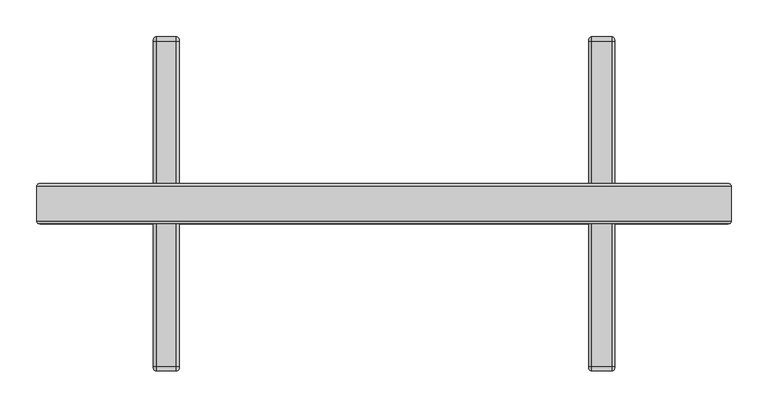
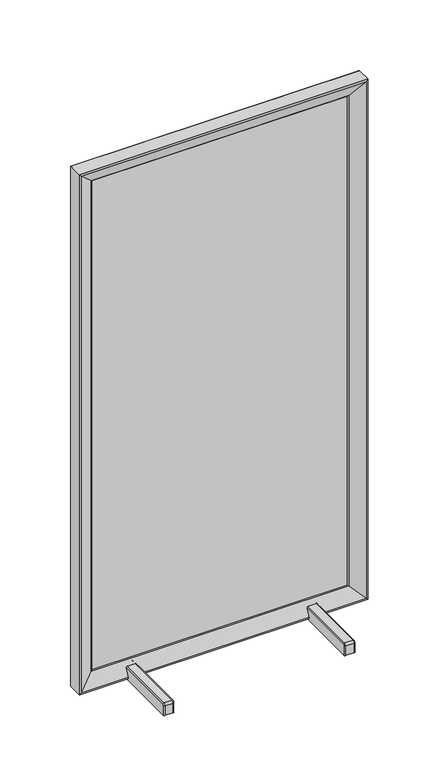
"""IFC4 building model written with IfcOpenShell, lengths in millimetres: furniture geometry."""

from ifc_helpers import new_model, si_unit, point, frame, frame_2d, origin, origin_with_axes, place, context, project, spatial, polyline, circle_curve, ellipse_curve, trimmed, segment, composite_curve, outline, extrude, source, transform, mapped, element, save
from ifc_brep_helpers import plane_surface, cylinder_surface, revolved_surface, advanced_brep


def furniture_38ea0e20(model_context):
    return source(origin(), model_context, "Body", "SolidModel", [
        extrude(outline(polyline([(423.2009837, -1.0534604), (-423.2093187, -1.0534604), (-423.2093187, 1.0534604), (423.2009837, 1.0534604), (423.2009837, -1.0534604)])), frame((0.0, 0.0, 60.9611301), z_axis=(0.0, 0.0, 1.0), x_axis=(1.0, 0.0, 0.0)), (0.0, 0.0, 1.0), 1703.6858385),
        extrude(outline(composite_curve([segment(trimmed(circle_curve(frame_2d((-297.4993889, 210.9995391)), 9.9999701), [point((-307.4993589, 210.9995391))], [point((-287.4994188, 210.9995391))], False, "CARTESIAN"), True, "CONTINUOUS"), segment(trimmed(circle_curve(frame_2d((-297.4993889, 210.9995391)), 9.9999701), [point((-287.4994188, 210.9995391))], [point((-307.4993589, 210.9995391))], False, "CARTESIAN"), True, "CONTINUOUS")], self_intersect=False)), origin_with_axes(), (0.0, 0.0, 1.0), 3.9996105),
        extrude(outline(composite_curve([segment(trimmed(circle_curve(frame_2d((297.4993889, 210.9995391)), 9.9999701), [point((287.4994188, 210.9995391))], [point((307.4993589, 210.9995391))], False, "CARTESIAN"), True, "CONTINUOUS"), segment(trimmed(circle_curve(frame_2d((297.4993889, 210.9995391)), 9.9999701), [point((307.4993589, 210.9995391))], [point((287.4994188, 210.9995391))], False, "CARTESIAN"), True, "CONTINUOUS")], self_intersect=False)), origin_with_axes(), (0.0, 0.0, 1.0), 3.9996105),
        extrude(outline(composite_curve([segment(trimmed(circle_curve(frame_2d((-297.4993889, -210.9995391)), 9.9999701), [point((-307.4993589, -210.9995391))], [point((-287.4994188, -210.9995391))], False, "CARTESIAN"), True, "CONTINUOUS"), segment(trimmed(circle_curve(frame_2d((-297.4993889, -210.9995391)), 9.9999701), [point((-287.4994188, -210.9995391))], [point((-307.4993589, -210.9995391))], False, "CARTESIAN"), True, "CONTINUOUS")], self_intersect=False)), origin_with_axes(), (0.0, 0.0, 1.0), 3.9996105),
        extrude(outline(composite_curve([segment(trimmed(circle_curve(frame_2d((297.4993889, -210.9995391)), 9.9999701), [point((287.4994188, -210.9995391))], [point((307.4993589, -210.9995391))], False, "CARTESIAN"), True, "CONTINUOUS"), segment(trimmed(circle_curve(frame_2d((297.4993889, -210.9995391)), 9.9999701), [point((307.4993589, -210.9995391))], [point((287.4994188, -210.9995391))], False, "CARTESIAN"), True, "CONTINUOUS")], self_intersect=False)), origin_with_axes(), (0.0, 0.0, 1.0), 3.9996105),
        advanced_brep(
        [(474.6625, 23.4288654, 1816.1), (474.6625, -23.4702702, 1816.1), (474.6625, -23.4702702, 9.4996138), (474.6625, 23.4288654, 9.4996138), (468.8881756, 27.0047563, 15.2739382), (468.8881756, 27.0047563, 1810.3256756), (423.2009837, 4.2635237, 60.9611301), (423.2009837, 4.2635237, 1764.6384837), (423.2009837, -4.2635237, 60.9611301), (423.2009837, -4.2635237, 1764.6384837), (468.9252423, -27.0232066, 15.2368715), (468.9252423, -27.0232066, 1810.3627423), (314.9993654, -23.4702702, 9.4996138), (314.9993654, 23.4288654, 9.4996138), (-474.6625, -23.4702702, 9.4996138), (-474.6625, 23.4288654, 9.4996138), (-314.9993654, 23.4288654, 9.4996138), (-314.9993654, -23.4702702, 9.4996138), (279.9994123, -23.4702702, 9.4996138), (-279.9994123, -23.4702702, 9.4996138), (-279.9994123, 23.4288654, 9.4996138), (279.9994123, 23.4288654, 9.4996138), (314.9993654, 27.0047563, 15.2739382), (-279.9994123, 27.0047563, 15.2739382), (279.9994123, 27.0047563, 15.2739382), (-468.8881756, 27.0047563, 15.2739382), (-314.9993654, 27.0047563, 15.2739382), (314.9993654, 14.681801, 40.0307854), (311.0306154, 12.7063181, 43.9995354), (283.9681623, 12.7063181, 43.9995354), (279.9994123, 14.681801, 40.0307854), (-279.9994123, 14.681801, 40.0307854), (-283.9681623, 12.7063181, 43.9995354), (-311.0306154, 12.7063181, 43.9995354), (-314.9993654, 14.681801, 40.0307854), (-423.2009837, 4.2635237, 60.9611301), (-423.2009837, -4.2635237, 60.9611301), (-468.9252423, -27.0232066, 15.2368715), (-314.9993654, -27.0232066, 15.2368715), (-314.9993654, -14.681801, 40.0307854), (-311.0306154, -12.7063181, 43.9995354), (-283.9681623, -12.7063181, 43.9995354), (-279.9994123, -14.681801, 40.0307854), (-279.9994123, -27.0232066, 15.2368715), (279.9994123, -27.0232066, 15.2368715), (279.9994123, -14.681801, 40.0307854), (283.9681623, -12.7063181, 43.9995354), (311.0306154, -12.7063181, 43.9995354), (314.9993654, -14.681801, 40.0307854), (314.9993654, -27.0232066, 15.2368715), (-474.6625, -23.4702702, 1816.1), (-474.6625, 23.4288654, 1816.1), (-468.8881756, 27.0047563, 1810.3256756), (-423.2009837, 4.2635237, 1764.6384837), (-423.2009837, -4.2635237, 1764.6384837), (-468.9252423, -27.0232066, 1810.3627423)],
        [
            (0, 1),
            (1, 2),
            (2, 3),
            (3, 0),
            (3, 4, ellipse_curve(frame((470.6681091, 23.4288654, 13.4940047), z_axis=(0.7071067811865487, 0.0, 0.7071067811865462), x_axis=(-0.7071067811865462, 0.0, 0.7071067811865489)), 5.6489218, 3.9943909)),
            (4, 5),
            (5, 0, ellipse_curve(frame((470.6681091, 23.4288654, 1812.1056091), z_axis=(0.7071067811865474, 0.0, -0.7071067811865476), x_axis=(0.7071067811865475, 0.0, 0.7071067811865476)), 5.6489218, 3.9943909)),
            (4, 6),
            (6, 7),
            (7, 5),
            (6, 8, ellipse_curve(frame((425.323193, 0.0, 58.8389208), z_axis=(0.7071067811865487, 0.0, 0.7071067811865462), x_axis=(-0.7071067811865462, 0.0, 0.7071067811865489)), 6.7351921, 4.7625)),
            (8, 9),
            (9, 7, ellipse_curve(frame((425.323193, 0.0, 1766.760693), z_axis=(0.7071067811865474, 0.0, -0.7071067811865476), x_axis=(0.7071067811865475, 0.0, 0.7071067811865476)), 6.7351921, 4.7625)),
            (8, 10),
            (10, 11),
            (11, 9),
            (1, 11, ellipse_curve(frame((470.69375, -23.4702702, 1812.13125), z_axis=(0.7071067811865474, 0.0, -0.7071067811865476), x_axis=(0.7071067811865475, 0.0, 0.7071067811865476)), 5.6126601, 3.96875)),
            (10, 2, ellipse_curve(frame((470.69375, -23.4702702, 13.4683638), z_axis=(0.7071067811865487, 0.0, 0.7071067811865462), x_axis=(-0.7071067811865462, 0.0, 0.7071067811865489)), 5.6126601, 3.96875)),
            (2, 12),
            (12, 13),
            (13, 3),
            (14, 15),
            (15, 16),
            (16, 17),
            (17, 14),
            (18, 19),
            (19, 20),
            (20, 21),
            (21, 18),
            (13, 22, circle_curve(frame((314.9993654, 23.4288654, 13.4940047), z_axis=(1.0, 0.0, 0.0), x_axis=(0.0, 0.0, -1.0)), 3.9943909)),
            (22, 4),
            (20, 23, circle_curve(frame((-279.9994123, 23.4288654, 13.4940047), z_axis=(1.0, 0.0, 0.0), x_axis=(0.0, 0.0, -1.0)), 3.9943909)),
            (23, 24),
            (24, 21, circle_curve(frame((279.9994123, 23.4288654, 13.4940047), z_axis=(-1.0, 0.0, 0.0), x_axis=(0.0, 0.0, -1.0)), 3.9943909)),
            (15, 25, ellipse_curve(frame((-470.6681091, 23.4288654, 13.4940047), z_axis=(0.7071067811865462, 0.0, -0.7071067811865488), x_axis=(0.7071067811865488, 0.0, 0.7071067811865461)), 5.6489218, 3.9943909)),
            (25, 26),
            (26, 16, circle_curve(frame((-314.9993654, 23.4288654, 13.4940047), z_axis=(-1.0, 0.0, 0.0), x_axis=(0.0, 0.0, -1.0)), 3.9943909)),
            (22, 27),
            (27, 28, ellipse_curve(frame((311.0306154, 14.681801, 40.0307854), z_axis=(0.0, -0.8952280643452791, -0.44560825038210955), x_axis=(0.0, -0.4456082503821093, 0.8952280643452792)), 4.4332279, 3.96875)),
            (28, 29),
            (29, 30, ellipse_curve(frame((283.9681623, 14.681801, 40.0307854), z_axis=(0.0, -0.8952280643452791, -0.44560825038210955), x_axis=(0.0, -0.4456082503821093, 0.8952280643452792)), 4.4332279, 3.96875)),
            (30, 24),
            (23, 31),
            (31, 32, ellipse_curve(frame((-283.9681623, 14.681801, 40.0307854), z_axis=(0.0, -0.8952280643452791, -0.44560825038210955), x_axis=(0.0, -0.4456082503821093, 0.8952280643452792)), 4.4332279, 3.96875)),
            (32, 33),
            (33, 34, ellipse_curve(frame((-311.0306154, 14.681801, 40.0307854), z_axis=(0.0, -0.8952280643452791, -0.44560825038210955), x_axis=(0.0, -0.4456082503821093, 0.8952280643452792)), 4.4332279, 3.96875)),
            (34, 26),
            (25, 35),
            (35, 6),
            (35, 36, ellipse_curve(frame((-425.323193, 0.0, 58.8389208), z_axis=(0.7071067811865462, 0.0, -0.7071067811865488), x_axis=(0.7071067811865488, 0.0, 0.7071067811865461)), 6.7351921, 4.7625)),
            (36, 8),
            (36, 37),
            (37, 38),
            (38, 39),
            (39, 40, ellipse_curve(frame((-311.0306154, -14.681801, 40.0307854), z_axis=(0.0, 0.8952280643452791, -0.4456082503821096), x_axis=(0.0, -0.4456082503821093, -0.8952280643452791)), 4.4332279, 3.96875)),
            (40, 41),
            (41, 42, ellipse_curve(frame((-283.9681623, -14.681801, 40.0307854), z_axis=(0.0, 0.8952280643452791, -0.4456082503821096), x_axis=(0.0, -0.4456082503821093, -0.8952280643452791)), 4.4332279, 3.96875)),
            (42, 43),
            (43, 44),
            (44, 45),
            (45, 46, ellipse_curve(frame((283.9681623, -14.681801, 40.0307854), z_axis=(0.0, 0.8952280643452791, -0.4456082503821096), x_axis=(0.0, -0.4456082503821093, -0.8952280643452791)), 4.4332279, 3.96875)),
            (46, 47),
            (47, 48, ellipse_curve(frame((311.0306154, -14.681801, 40.0307854), z_axis=(0.0, 0.8952280643452791, -0.4456082503821096), x_axis=(0.0, -0.4456082503821093, -0.8952280643452791)), 4.4332279, 3.96875)),
            (48, 49),
            (49, 10),
            (49, 12, circle_curve(frame((314.9993654, -23.4702702, 13.4683638), z_axis=(1.0, 0.0, 0.0), x_axis=(0.0, 0.0, -1.0)), 3.96875)),
            (18, 44, circle_curve(frame((279.9994123, -23.4702702, 13.4683638), z_axis=(-1.0, 0.0, 0.0), x_axis=(0.0, 0.0, -1.0)), 3.96875)),
            (43, 19, circle_curve(frame((-279.9994123, -23.4702702, 13.4683638), z_axis=(1.0, 0.0, 0.0), x_axis=(0.0, 0.0, -1.0)), 3.96875)),
            (37, 14, ellipse_curve(frame((-470.69375, -23.4702702, 13.4683638), z_axis=(0.7071067811865462, 0.0, -0.7071067811865488), x_axis=(0.7071067811865488, 0.0, 0.7071067811865461)), 5.6126601, 3.96875)),
            (17, 38, circle_curve(frame((-314.9993654, -23.4702702, 13.4683638), z_axis=(-1.0, 0.0, 0.0), x_axis=(0.0, 0.0, -1.0)), 3.96875)),
            (14, 50),
            (50, 51),
            (51, 15),
            (51, 52, ellipse_curve(frame((-470.6681091, 23.4288654, 1812.1056091), z_axis=(-0.7071067811865477, 0.0, -0.7071067811865474), x_axis=(0.7071067811865474, 0.0, -0.7071067811865477)), 5.6489218, 3.9943909)),
            (52, 25),
            (52, 53),
            (53, 35),
            (53, 54, ellipse_curve(frame((-425.323193, 0.0, 1766.760693), z_axis=(-0.7071067811865477, 0.0, -0.7071067811865474), x_axis=(0.7071067811865474, 0.0, -0.7071067811865477)), 6.7351921, 4.7625)),
            (54, 36),
            (54, 55),
            (55, 37),
            (55, 50, ellipse_curve(frame((-470.69375, -23.4702702, 1812.13125), z_axis=(-0.7071067811865477, 0.0, -0.7071067811865474), x_axis=(0.7071067811865474, 0.0, -0.7071067811865477)), 5.6126601, 3.96875)),
            (0, 51),
            (50, 1),
            (5, 52),
            (7, 53),
            (9, 54),
            (11, 55),
            (34, 39),
            (42, 31),
            (41, 32),
            (40, 33),
            (27, 48),
            (47, 28),
            (46, 29),
            (45, 30),
        ],
        [
            plane_surface(frame((474.6625, -23.4702702, 1816.1), z_axis=(1.0, 0.0, 0.0), x_axis=(0.0, 0.0, -1.0))),
            cylinder_surface(frame((470.6681091, 23.4288654, 1816.1), z_axis=(0.0, 0.0, 1.0), x_axis=(1.0, 0.0, 0.0)), 3.9943909),
            plane_surface(frame((468.8881756, 27.0047563, 1810.3256756), z_axis=(-0.4456082503821096, 0.8952280643452791, 0.0), x_axis=(0.0, 0.0, -1.0))),
            cylinder_surface(frame((425.323193, 0.0, 1816.1), z_axis=(0.0, 0.0, 1.0), x_axis=(1.0, 0.0, 0.0)), 4.7625),
            plane_surface(frame((423.2009837, -4.2635237, 1764.6384837), z_axis=(-0.44560825038210955, -0.8952280643452791, 0.0), x_axis=(0.0, 0.0, -1.0))),
            cylinder_surface(frame((470.69375, -23.4702702, 1816.1), z_axis=(0.0, 0.0, 1.0), x_axis=(1.0, 0.0, 0.0)), 3.96875),
            plane_surface(frame((474.6625, -23.4702702, 9.4996138), z_axis=(0.0, 0.0, -1.0), x_axis=(-1.0, 0.0, 0.0))),
            cylinder_surface(frame((474.6625, 23.4288654, 13.4940047), z_axis=(1.0, 0.0, 0.0), x_axis=(0.0, 0.0, -1.0)), 3.9943909),
            plane_surface(frame((468.8881756, 27.0047563, 15.2739382), z_axis=(0.0, 0.8952280643452791, 0.44560825038210955), x_axis=(-1.0, 0.0, 0.0))),
            cylinder_surface(frame((474.6625, 0.0, 58.8389208), z_axis=(1.0, 0.0, 0.0), x_axis=(0.0, 0.0, -1.0)), 4.7625),
            plane_surface(frame((423.2009837, -4.2635237, 60.9611301), z_axis=(0.0, -0.8952280643452791, 0.4456082503821096), x_axis=(-1.0, 0.0, 0.0))),
            cylinder_surface(frame((474.6625, -23.4702702, 13.4683638), z_axis=(1.0, 0.0, 0.0), x_axis=(0.0, 0.0, -1.0)), 3.96875),
            plane_surface(frame((-474.6625, -23.4702702, 9.4996138), z_axis=(-1.0, 0.0, 0.0), x_axis=(0.0, 0.0, 1.0))),
            cylinder_surface(frame((-470.6681091, 23.4288654, 9.4996138), z_axis=(0.0, 0.0, -1.0), x_axis=(-1.0, 0.0, 0.0)), 3.9943909),
            plane_surface(frame((-468.8881756, 27.0047563, 15.2739382), z_axis=(0.4456082503821096, 0.8952280643452791, 0.0), x_axis=(0.0, 0.0, 1.0))),
            cylinder_surface(frame((-425.323193, 0.0, 9.4996138), z_axis=(0.0, 0.0, -1.0), x_axis=(-1.0, 0.0, 0.0)), 4.7625),
            plane_surface(frame((-423.2009837, -4.2635237, 60.9611301), z_axis=(0.44560825038210955, -0.8952280643452791, 0.0), x_axis=(0.0, 0.0, 1.0))),
            cylinder_surface(frame((-470.69375, -23.4702702, 9.4996138), z_axis=(0.0, 0.0, -1.0), x_axis=(-1.0, 0.0, 0.0)), 3.96875),
            plane_surface(frame((-474.6625, -23.4702702, 1816.1), z_axis=(0.0, 0.0, 1.0), x_axis=(1.0, 0.0, 0.0))),
            cylinder_surface(frame((-474.6625, 23.4288654, 1812.1056091), z_axis=(-1.0, 0.0, 0.0), x_axis=(0.0, 0.0, 1.0)), 3.9943909),
            plane_surface(frame((-468.8881756, 27.0047563, 1810.3256756), z_axis=(0.0, 0.8952280643452791, -0.44560825038210966), x_axis=(1.0, 0.0, 0.0))),
            cylinder_surface(frame((-474.6625, 0.0, 1766.760693), z_axis=(-1.0, 0.0, 0.0), x_axis=(0.0, 0.0, 1.0)), 4.7625),
            plane_surface(frame((-423.2009837, -4.2635237, 1764.6384837), z_axis=(0.0, -0.8952280643452791, -0.4456082503821095), x_axis=(1.0, 0.0, 0.0))),
            cylinder_surface(frame((-474.6625, -23.4702702, 1812.13125), z_axis=(-1.0, 0.0, 0.0), x_axis=(0.0, 0.0, 1.0)), 3.96875),
            plane_surface(frame((-314.9993654, -29.5976681, 40.0307854), z_axis=(1.0, 0.0, 0.0), x_axis=(0.0, 1.0, 0.0))),
            plane_surface(frame((-279.9994123, -29.5976681, 3.9996105), z_axis=(-1.0, 0.0, 0.0), x_axis=(0.0, 1.0, 0.0))),
            revolved_surface(polyline([(-279.9994123, -16.657283928064153, 40.0307854), (-279.9994123, 16.657283928064153, 40.0307854)]), (-283.9681623, 30.2161464, 40.0307854), (0.0, -1.0, 0.0)),
            plane_surface(frame((-283.9681623, -29.5976681, 43.9995354), z_axis=(0.0, 0.0, -1.0), x_axis=(0.0, 1.0, 0.0))),
            revolved_surface(polyline([(-307.0618654, -16.657283928064153, 40.0307854), (-307.0618654, 16.657283928064153, 40.0307854)]), (-311.0306154, 30.2161464, 40.0307854), (0.0, -1.0, 0.0)),
            revolved_surface(polyline([(314.9993654, -16.657283928064153, 40.0307854), (314.9993654, 16.657283928064153, 40.0307854)]), (311.0306154, 0.0, 40.0307854), (0.0, -1.0, 0.0)),
            plane_surface(frame((311.0306154, -29.5976681, 43.9995354), z_axis=(0.0, 0.0, -1.0), x_axis=(0.0, 1.0, 0.0))),
            revolved_surface(polyline([(287.9369123, -16.657283928064153, 40.0307854), (287.9369123, 16.657283928064153, 40.0307854)]), (283.9681623, 0.0, 40.0307854), (0.0, -1.0, 0.0)),
            plane_surface(frame((279.9994123, -29.5976681, 40.0307854), z_axis=(1.0, 0.0, 0.0), x_axis=(0.0, 1.0, 0.0))),
            plane_surface(frame((314.9993654, -29.5976681, 3.9996105), z_axis=(-1.0, 0.0, 0.0), x_axis=(0.0, 1.0, 0.0))),
        ],
        [
            (0, [[1, 2, 3, 4]]),
            (1, [[-4, 5, 6, 7]]),
            (2, [[-6, 8, 9, 10]]),
            (3, [[-9, 11, 12, 13]]),
            (4, [[-12, 14, 15, 16]]),
            (5, [[-2, 17, -15, 18]]),
            (6, [[-3, 19, 20, 21]]),
            (6, [[22, 23, 24, 25]]),
            (6, [[26, 27, 28, 29]]),
            (7, [[-5, -21, 30, 31]]),
            (7, [[-28, 32, 33, 34]]),
            (7, [[35, 36, 37, -23]]),
            (8, [[-8, -31, 38, 39, 40, 41, 42, -33, 43, 44, 45, 46, 47, -36, 48, 49]]),
            (9, [[-11, -49, 50, 51]]),
            (10, [[-14, -51, 52, 53, 54, 55, 56, 57, 58, 59, 60, 61, 62, 63, 64, 65]]),
            (11, [[-18, -65, 66, -19]]),
            (11, [[-26, 67, -59, 68]]),
            (11, [[69, -25, 70, -53]]),
            (12, [[-22, 71, 72, 73]]),
            (13, [[-35, -73, 74, 75]]),
            (14, [[-48, -75, 76, 77]]),
            (15, [[-50, -77, 78, 79]]),
            (16, [[-52, -79, 80, 81]]),
            (17, [[-69, -81, 82, -71]]),
            (18, [[-1, 83, -72, 84]]),
            (19, [[-7, 85, -74, -83]]),
            (20, [[-10, 86, -76, -85]]),
            (21, [[-13, 87, -78, -86]]),
            (22, [[-16, 88, -80, -87]]),
            (23, [[-17, -84, -82, -88]]),
            (24, [[89, -54, -70, -24, -37, -47]]),
            (25, [[90, -43, -32, -27, -68, -58]]),
            (26, [[-90, -57, 91, -44]]),
            (27, [[-91, -56, 92, -45]]),
            (28, [[-89, -46, -92, -55]]),
            (29, [[93, -63, 94, -39]]),
            (30, [[-94, -62, 95, -40]]),
            (31, [[-95, -61, 96, -41]]),
            (32, [[-96, -60, -67, -29, -34, -42]]),
            (33, [[-93, -38, -30, -20, -66, -64]]),
        ],
    ),
        advanced_brep(
        [(-279.9994123, 224.63125, 3.9996105), (-279.9994123, 224.63125, 37.6495354), (-279.9994123, 222.25, 40.0307854), (-279.9994123, -222.25, 40.0307854), (-279.9994123, -224.63125, 37.6495354), (-279.9994123, -224.63125, 3.9996105), (-314.9993654, -224.63125, 3.9996105), (-314.9993654, -224.63125, 37.6495354), (-314.9993654, -222.25, 40.0307854), (-314.9993654, 222.25, 40.0307854), (-314.9993654, 224.63125, 37.6495354), (-314.9993654, 224.63125, 3.9996105), (-283.9681623, 228.6, 3.9996105), (-283.9681623, -228.6, 3.9996105), (-311.0306154, -228.6, 3.9996105), (-311.0306154, 228.6, 3.9996105), (-283.9681623, 228.6, 37.6495354), (-311.0306154, 228.6, 37.6495354), (-283.9681623, 222.25, 43.9995354), (-311.0306154, 222.25, 43.9995354), (-283.9681623, -222.25, 43.9995354), (-311.0306154, -222.25, 43.9995354), (-283.9681623, -228.6, 37.6495354), (-311.0306154, -228.6, 37.6495354)],
        [
            (0, 1),
            (1, 2, circle_curve(frame((-279.9994123, 222.25, 37.6495354), z_axis=(1.0, 0.0, 0.0), x_axis=(0.0, 1.0, 0.0)), 2.38125)),
            (2, 3),
            (3, 4, circle_curve(frame((-279.9994123, -222.25, 37.6495354), z_axis=(1.0, 0.0, 0.0), x_axis=(0.0, 0.0, 1.0)), 2.38125)),
            (4, 5),
            (5, 0),
            (6, 7),
            (7, 8, circle_curve(frame((-314.9993654, -222.25, 37.6495354), z_axis=(-1.0, 0.0, 0.0), x_axis=(0.0, 0.0, 1.0)), 2.38125)),
            (8, 9),
            (9, 10, circle_curve(frame((-314.9993654, 222.25, 37.6495354), z_axis=(-1.0, 0.0, 0.0), x_axis=(0.0, 1.0, 0.0)), 2.38125)),
            (10, 11),
            (11, 6),
            (12, 0, circle_curve(frame((-283.9681623, 224.63125, 3.9996105), z_axis=(0.0, 0.0, -1.0), x_axis=(0.0, -1.0, 0.0)), 3.96875)),
            (5, 13, circle_curve(frame((-283.9681623, -224.63125, 3.9996105), z_axis=(0.0, 0.0, -1.0), x_axis=(0.0, 1.0, 0.0)), 3.96875)),
            (13, 14),
            (14, 6, circle_curve(frame((-311.0306154, -224.63125, 3.9996105), z_axis=(0.0, 0.0, -1.0), x_axis=(0.0, 1.0, 0.0)), 3.96875)),
            (11, 15, circle_curve(frame((-311.0306154, 224.63125, 3.9996105), z_axis=(0.0, 0.0, -1.0), x_axis=(0.0, -1.0, 0.0)), 3.96875)),
            (15, 12),
            (12, 16),
            (16, 1, circle_curve(frame((-283.9681623, 224.63125, 37.6495354), z_axis=(0.0, 0.0, -1.0), x_axis=(0.0, -1.0, 0.0)), 3.96875)),
            (10, 17, circle_curve(frame((-311.0306154, 224.63125, 37.6495354), z_axis=(0.0, 0.0, -1.0), x_axis=(0.0, -1.0, 0.0)), 3.96875)),
            (17, 15),
            (17, 16),
            (16, 18, circle_curve(frame((-283.9681623, 222.25, 37.6495354), z_axis=(1.0, 0.0, 0.0), x_axis=(0.0, 1.0, 0.0)), 6.35)),
            (18, 2, circle_curve(frame((-283.9681623, 222.25, 40.0307854), z_axis=(0.0, 1.0, 0.0), x_axis=(0.0, 0.0, -1.0)), 3.96875)),
            (9, 19, circle_curve(frame((-311.0306154, 222.25, 40.0307854), z_axis=(0.0, 1.0, 0.0), x_axis=(0.0, 0.0, -1.0)), 3.96875)),
            (19, 17, circle_curve(frame((-311.0306154, 222.25, 37.6495354), z_axis=(-1.0, 0.0, 0.0), x_axis=(0.0, 1.0, 0.0)), 6.35)),
            (19, 18),
            (18, 20),
            (20, 3, circle_curve(frame((-283.9681623, -222.25, 40.0307854), z_axis=(0.0, 1.0, 0.0), x_axis=(0.0, 0.0, -1.0)), 3.96875)),
            (8, 21, circle_curve(frame((-311.0306154, -222.25, 40.0307854), z_axis=(0.0, 1.0, 0.0), x_axis=(0.0, 0.0, -1.0)), 3.96875)),
            (21, 19),
            (21, 20),
            (20, 22, circle_curve(frame((-283.9681623, -222.25, 37.6495354), z_axis=(1.0, 0.0, 0.0), x_axis=(0.0, 0.0, 1.0)), 6.35)),
            (22, 4, circle_curve(frame((-283.9681623, -224.63125, 37.6495354), z_axis=(0.0, 0.0, 1.0), x_axis=(0.0, 1.0, 0.0)), 3.96875)),
            (7, 23, circle_curve(frame((-311.0306154, -224.63125, 37.6495354), z_axis=(0.0, 0.0, 1.0), x_axis=(0.0, 1.0, 0.0)), 3.96875)),
            (23, 21, circle_curve(frame((-311.0306154, -222.25, 37.6495354), z_axis=(-1.0, 0.0, 0.0), x_axis=(0.0, 0.0, 1.0)), 6.35)),
            (23, 22),
            (22, 13),
            (14, 23),
        ],
        [
            plane_surface(frame((-279.9994123, -222.25, 39.2179854), z_axis=(1.0, 0.0, 0.0), x_axis=(0.0, -1.0, 0.0))),
            plane_surface(frame((-314.9993654, -222.25, 39.2179854), z_axis=(-1.0, 0.0, 0.0), x_axis=(0.0, 1.0, 0.0))),
            plane_surface(frame((-279.9994123, -223.81845, 3.9996105), z_axis=(0.0, 0.0, -1.0), x_axis=(-1.0, 0.0, 0.0))),
            cylinder_surface(frame((-283.9681623, 224.63125, 3.9996105), z_axis=(0.0, 0.0, -1.0), x_axis=(0.0, -1.0, 0.0)), 3.96875),
            cylinder_surface(frame((-311.0306154, 224.63125, 3.9996105), z_axis=(0.0, 0.0, -1.0), x_axis=(0.0, -1.0, 0.0)), 3.96875),
            plane_surface(frame((-311.0306154, 228.6, 3.9996105), z_axis=(0.0, 1.0, 0.0), x_axis=(0.0, 0.0, 1.0))),
            revolved_surface(trimmed(ellipse_curve(frame((-283.9681623, 224.63125, 37.6495354), z_axis=(0.0, 0.0, -1.0), x_axis=(0.0, -1.0, 0.0)), 3.96875, 3.96875), [point((-283.9681623, 228.6, 37.6495354))], [point((-279.9994123, 224.63125, 37.6495354))], True, "CARTESIAN"), (0.0, 222.25, 37.6495354), (1.0, 0.0, 0.0)),
            revolved_surface(trimmed(ellipse_curve(frame((-311.0306154, 224.63125, 37.6495354), z_axis=(0.0, 0.0, -1.0), x_axis=(0.0, -1.0, 0.0)), 3.96875, 3.96875), [point((-314.9993654, 224.63125, 37.6495354))], [point((-311.0306154, 228.6, 37.6495354))], True, "CARTESIAN"), (0.0, 222.25, 37.6495354), (1.0, 0.0, 0.0)),
            cylinder_surface(frame((0.0, 222.25, 37.6495354), z_axis=(1.0, 0.0, 0.0), x_axis=(0.0, 1.0, 0.0)), 6.35),
            cylinder_surface(frame((-283.9681623, 222.25, 40.0307854), z_axis=(0.0, 1.0, 0.0), x_axis=(0.0, 0.0, -1.0)), 3.96875),
            cylinder_surface(frame((-311.0306154, 222.25, 40.0307854), z_axis=(0.0, 1.0, 0.0), x_axis=(0.0, 0.0, -1.0)), 3.96875),
            plane_surface(frame((-311.0306154, 222.25, 43.9995354), z_axis=(0.0, 0.0, 1.0), x_axis=(0.0, -1.0, 0.0))),
            revolved_surface(trimmed(ellipse_curve(frame((-283.9681623, -222.25, 40.0307854), z_axis=(0.0, 1.0, 0.0), x_axis=(0.0, 0.0, -1.0)), 3.96875, 3.96875), [point((-283.9681623, -222.25, 43.9995354))], [point((-279.9994123, -222.25, 40.0307854))], True, "CARTESIAN"), (0.0, -222.25, 37.6495354), (1.0, 0.0, 0.0)),
            revolved_surface(trimmed(ellipse_curve(frame((-311.0306154, -222.25, 40.0307854), z_axis=(0.0, 1.0, 0.0), x_axis=(0.0, 0.0, -1.0)), 3.96875, 3.96875), [point((-314.9993654, -222.25, 40.0307854))], [point((-311.0306154, -222.25, 43.9995354))], True, "CARTESIAN"), (0.0, -222.25, 37.6495354), (1.0, 0.0, 0.0)),
            cylinder_surface(frame((0.0, -222.25, 37.6495354), z_axis=(1.0, 0.0, 0.0), x_axis=(0.0, 0.0, 1.0)), 6.35),
            cylinder_surface(frame((-283.9681623, -224.63125, 37.6495354), z_axis=(0.0, 0.0, 1.0), x_axis=(0.0, 1.0, 0.0)), 3.96875),
            cylinder_surface(frame((-311.0306154, -224.63125, 37.6495354), z_axis=(0.0, 0.0, 1.0), x_axis=(0.0, 1.0, 0.0)), 3.96875),
            plane_surface(frame((-311.0306154, -228.6, 37.6495354), z_axis=(0.0, -1.0, 0.0), x_axis=(0.0, 0.0, -1.0))),
        ],
        [
            (0, [[1, 2, 3, 4, 5, 6]]),
            (1, [[7, 8, 9, 10, 11, 12]]),
            (2, [[13, -6, 14, 15, 16, -12, 17, 18]]),
            (3, [[-13, 19, 20, -1]]),
            (4, [[-17, -11, 21, 22]]),
            (5, [[-18, -22, 23, -19]]),
            (6, [[-20, 24, 25, -2]]),
            (7, [[-10, 26, 27, -21]]),
            (8, [[-23, -27, 28, -24]]),
            (9, [[-3, -25, 29, 30]]),
            (10, [[-9, 31, 32, -26]]),
            (11, [[-28, -32, 33, -29]]),
            (12, [[-4, -30, 34, 35]]),
            (13, [[-8, 36, 37, -31]]),
            (14, [[-33, -37, 38, -34]]),
            (15, [[-14, -5, -35, 39]]),
            (16, [[-16, 40, -36, -7]]),
            (17, [[-15, -39, -38, -40]]),
        ],
    ),
        advanced_brep(
        [(283.9681623, 228.6, 3.9996105), (311.0306154, 228.6, 3.9996105), (314.9993654, 224.63125, 3.9996105), (314.9993654, -224.63125, 3.9996105), (311.0306154, -228.6, 3.9996105), (283.9681623, -228.6, 3.9996105), (279.9994123, -224.63125, 3.9996105), (279.9994123, 224.63125, 3.9996105), (283.9681623, 228.6, 37.6495354), (311.0306154, 228.6, 37.6495354), (283.9681623, 222.25, 43.9995354), (311.0306154, 222.25, 43.9995354), (283.9681623, -222.25, 43.9995354), (311.0306154, -222.25, 43.9995354), (283.9681623, -228.6, 37.6495354), (311.0306154, -228.6, 37.6495354), (314.9993654, 224.63125, 37.6495354), (314.9993654, 222.25, 40.0307854), (314.9993654, -222.25, 40.0307854), (314.9993654, -224.63125, 37.6495354), (279.9994123, -224.63125, 37.6495354), (279.9994123, -222.25, 40.0307854), (279.9994123, 222.25, 40.0307854), (279.9994123, 224.63125, 37.6495354)],
        [
            (0, 1),
            (1, 2, circle_curve(frame((311.0306154, 224.63125, 3.9996105), z_axis=(0.0, 0.0, -1.0), x_axis=(0.0, -1.0, 0.0)), 3.96875)),
            (2, 3),
            (3, 4, circle_curve(frame((311.0306154, -224.63125, 3.9996105), z_axis=(0.0, 0.0, -1.0), x_axis=(0.0, 1.0, 0.0)), 3.96875)),
            (4, 5),
            (5, 6, circle_curve(frame((283.9681623, -224.63125, 3.9996105), z_axis=(0.0, 0.0, -1.0), x_axis=(0.0, 1.0, 0.0)), 3.96875)),
            (6, 7),
            (7, 0, circle_curve(frame((283.9681623, 224.63125, 3.9996105), z_axis=(0.0, 0.0, -1.0), x_axis=(0.0, -1.0, 0.0)), 3.96875)),
            (0, 8),
            (8, 9),
            (9, 1),
            (8, 10, circle_curve(frame((283.9681623, 222.25, 37.6495354), z_axis=(1.0, 0.0, 0.0), x_axis=(0.0, 1.0, 0.0)), 6.35)),
            (10, 11),
            (11, 9, circle_curve(frame((311.0306154, 222.25, 37.6495354), z_axis=(-1.0, 0.0, 0.0), x_axis=(0.0, 1.0, 0.0)), 6.35)),
            (10, 12),
            (12, 13),
            (13, 11),
            (12, 14, circle_curve(frame((283.9681623, -222.25, 37.6495354), z_axis=(1.0, 0.0, 0.0), x_axis=(0.0, 0.0, 1.0)), 6.35)),
            (14, 15),
            (15, 13, circle_curve(frame((311.0306154, -222.25, 37.6495354), z_axis=(-1.0, 0.0, 0.0), x_axis=(0.0, 0.0, 1.0)), 6.35)),
            (4, 15),
            (14, 5),
            (9, 16, circle_curve(frame((311.0306154, 224.63125, 37.6495354), z_axis=(0.0, 0.0, -1.0), x_axis=(0.0, -1.0, 0.0)), 3.96875)),
            (16, 2),
            (16, 17, circle_curve(frame((314.9993654, 222.25, 37.6495354), z_axis=(1.0, 0.0, 0.0), x_axis=(0.0, 1.0, 0.0)), 2.38125)),
            (17, 18),
            (18, 19, circle_curve(frame((314.9993654, -222.25, 37.6495354), z_axis=(1.0, 0.0, 0.0), x_axis=(0.0, 0.0, 1.0)), 2.38125)),
            (19, 3),
            (6, 20),
            (20, 21, circle_curve(frame((279.9994123, -222.25, 37.6495354), z_axis=(-1.0, 0.0, 0.0), x_axis=(0.0, 0.0, 1.0)), 2.38125)),
            (21, 22),
            (22, 23, circle_curve(frame((279.9994123, 222.25, 37.6495354), z_axis=(-1.0, 0.0, 0.0), x_axis=(0.0, 1.0, 0.0)), 2.38125)),
            (23, 7),
            (23, 8, circle_curve(frame((283.9681623, 224.63125, 37.6495354), z_axis=(0.0, 0.0, -1.0), x_axis=(0.0, -1.0, 0.0)), 3.96875)),
            (11, 17, circle_curve(frame((311.0306154, 222.25, 40.0307854), z_axis=(0.0, 1.0, 0.0), x_axis=(0.0, 0.0, -1.0)), 3.96875)),
            (22, 10, circle_curve(frame((283.9681623, 222.25, 40.0307854), z_axis=(0.0, 1.0, 0.0), x_axis=(0.0, 0.0, -1.0)), 3.96875)),
            (13, 18, circle_curve(frame((311.0306154, -222.25, 40.0307854), z_axis=(0.0, 1.0, 0.0), x_axis=(0.0, 0.0, -1.0)), 3.96875)),
            (21, 12, circle_curve(frame((283.9681623, -222.25, 40.0307854), z_axis=(0.0, 1.0, 0.0), x_axis=(0.0, 0.0, -1.0)), 3.96875)),
            (15, 19, circle_curve(frame((311.0306154, -224.63125, 37.6495354), z_axis=(0.0, 0.0, 1.0), x_axis=(0.0, 1.0, 0.0)), 3.96875)),
            (20, 14, circle_curve(frame((283.9681623, -224.63125, 37.6495354), z_axis=(0.0, 0.0, 1.0), x_axis=(0.0, 1.0, 0.0)), 3.96875)),
        ],
        [
            plane_surface(frame((-279.9994123, -223.81845, 3.9996105), z_axis=(0.0, 0.0, -1.0), x_axis=(-1.0, 0.0, 0.0))),
            plane_surface(frame((283.9681623, 228.6, 3.9996105), z_axis=(0.0, 1.0, 0.0), x_axis=(0.0, 0.0, 1.0))),
            cylinder_surface(frame((0.0, 222.25, 37.6495354), z_axis=(1.0, 0.0, 0.0), x_axis=(0.0, 1.0, 0.0)), 6.35),
            plane_surface(frame((283.9681623, 222.25, 43.9995354), z_axis=(0.0, 0.0, 1.0), x_axis=(0.0, -1.0, 0.0))),
            cylinder_surface(frame((0.0, -222.25, 37.6495354), z_axis=(1.0, 0.0, 0.0), x_axis=(0.0, 0.0, 1.0)), 6.35),
            plane_surface(frame((283.9681623, -228.6, 37.6495354), z_axis=(0.0, -1.0, 0.0), x_axis=(0.0, 0.0, -1.0))),
            cylinder_surface(frame((311.0306154, 224.63125, 3.9996105), z_axis=(0.0, 0.0, -1.0), x_axis=(0.0, -1.0, 0.0)), 3.96875),
            plane_surface(frame((314.9993654, 224.63125, 3.9996105), z_axis=(1.0, 0.0, 0.0), x_axis=(0.0, 0.0, 1.0))),
            plane_surface(frame((279.9994123, 223.81845, 3.9996105), z_axis=(-1.0, 0.0, 0.0), x_axis=(0.0, 0.0, 1.0))),
            cylinder_surface(frame((283.9681623, 224.63125, 3.9996105), z_axis=(0.0, 0.0, -1.0), x_axis=(0.0, -1.0, 0.0)), 3.96875),
            revolved_surface(trimmed(ellipse_curve(frame((311.0306154, 224.63125, 37.6495354), z_axis=(0.0, 0.0, -1.0), x_axis=(0.0, -1.0, 0.0)), 3.96875, 3.96875), [point((311.0306154, 228.6, 37.6495354))], [point((314.9993654, 224.63125, 37.6495354))], True, "CARTESIAN"), (0.0, 222.25, 37.6495354), (1.0, 0.0, 0.0)),
            revolved_surface(trimmed(ellipse_curve(frame((283.9681623, 224.63125, 37.6495354), z_axis=(0.0, 0.0, -1.0), x_axis=(0.0, -1.0, 0.0)), 3.96875, 3.96875), [point((279.9994123, 224.63125, 37.6495354))], [point((283.9681623, 228.6, 37.6495354))], True, "CARTESIAN"), (0.0, 222.25, 37.6495354), (1.0, 0.0, 0.0)),
            cylinder_surface(frame((311.0306154, 222.25, 40.0307854), z_axis=(0.0, 1.0, 0.0), x_axis=(0.0, 0.0, -1.0)), 3.96875),
            cylinder_surface(frame((283.9681623, 222.25, 40.0307854), z_axis=(0.0, 1.0, 0.0), x_axis=(0.0, 0.0, -1.0)), 3.96875),
            revolved_surface(trimmed(ellipse_curve(frame((311.0306154, -222.25, 40.0307854), z_axis=(0.0, 1.0, 0.0), x_axis=(0.0, 0.0, -1.0)), 3.96875, 3.96875), [point((311.0306154, -222.25, 43.9995354))], [point((314.9993654, -222.25, 40.0307854))], True, "CARTESIAN"), (0.0, -222.25, 37.6495354), (1.0, 0.0, 0.0)),
            revolved_surface(trimmed(ellipse_curve(frame((283.9681623, -222.25, 40.0307854), z_axis=(0.0, 1.0, 0.0), x_axis=(0.0, 0.0, -1.0)), 3.96875, 3.96875), [point((279.9994123, -222.25, 40.0307854))], [point((283.9681623, -222.25, 43.9995354))], True, "CARTESIAN"), (0.0, -222.25, 37.6495354), (1.0, 0.0, 0.0)),
            cylinder_surface(frame((311.0306154, -224.63125, 37.6495354), z_axis=(0.0, 0.0, 1.0), x_axis=(0.0, 1.0, 0.0)), 3.96875),
            cylinder_surface(frame((283.9681623, -224.63125, 37.6495354), z_axis=(0.0, 0.0, 1.0), x_axis=(0.0, 1.0, 0.0)), 3.96875),
        ],
        [
            (0, [[1, 2, 3, 4, 5, 6, 7, 8]]),
            (1, [[-1, 9, 10, 11]]),
            (2, [[-10, 12, 13, 14]]),
            (3, [[-13, 15, 16, 17]]),
            (4, [[-16, 18, 19, 20]]),
            (5, [[-5, 21, -19, 22]]),
            (6, [[-2, -11, 23, 24]]),
            (7, [[-3, -24, 25, 26, 27, 28]]),
            (8, [[-7, 29, 30, 31, 32, 33]]),
            (9, [[-8, -33, 34, -9]]),
            (10, [[-14, 35, -25, -23]]),
            (11, [[-12, -34, -32, 36]]),
            (12, [[-17, 37, -26, -35]]),
            (13, [[-15, -36, -31, 38]]),
            (14, [[-20, 39, -27, -37]]),
            (15, [[-18, -38, -30, 40]]),
            (16, [[-4, -28, -39, -21]]),
            (17, [[-6, -22, -40, -29]]),
        ],
    ),
    ])


if __name__ == "__main__":
    model = new_model("IFC4")
    model_context = context("Model", 3, world=origin())
    ifc_project = project(units=[si_unit("LENGTHUNIT", "METRE", prefix="MILLI")], contexts=[model_context])
    site = spatial("IfcSite", under=ifc_project)
    building = spatial("IfcBuilding", under=site)
    placement = place(None, origin())
    furniture_shape = furniture_38ea0e20(model_context)
    element("IfcFurniture", 1, at=placement, inside=building, context=model_context, shape_type="MappedRepresentation", body=[
        mapped(furniture_shape, transform((0.0, 0.0, 0.0), x_axis=(1.0, 0.0, 0.0), y_axis=(0.0, 1.0, 0.0), z_axis=(0.0, 0.0, 1.0))),
    ])
    save(model, "model.ifc")
